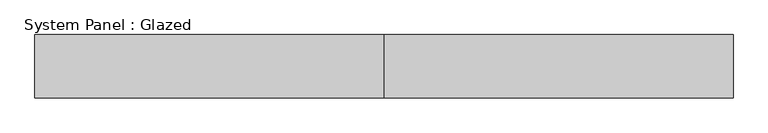
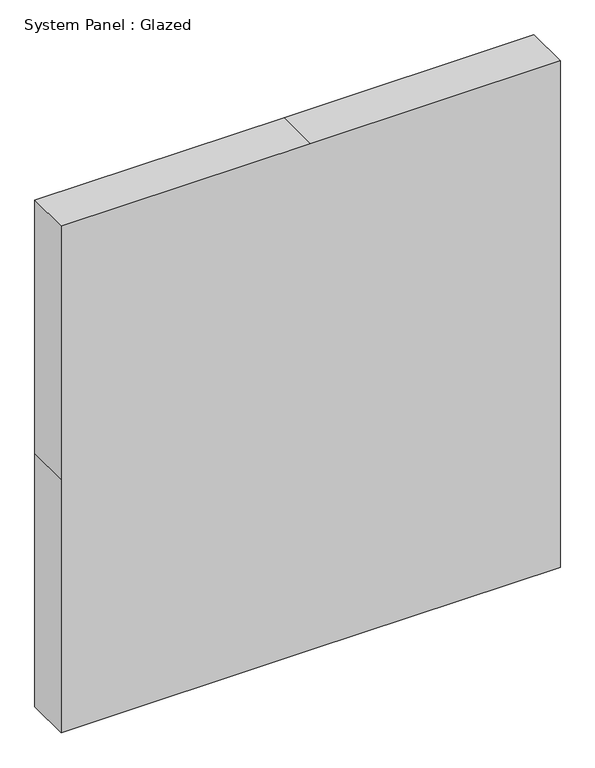
"""IFC4 building model written with IfcOpenShell, lengths in millimetres: plate geometry, System Panel : Glazed."""

from ifc_helpers import new_model, si_unit, frame, origin, place, context, project, spatial, polyline, outline, extrude, source, transform, mapped, element, save


def system_panel_glazed_093d51b4(model_context):
    return source(origin(), model_context, "Body", "SweptSolid", [
        extrude(outline(polyline([(0.0, -550.0), (0.0, 0.0), (0.0, 550.0), (590.0, 550.0), (1180.0, 550.0), (1180.0, 0.0), (1180.0, -550.0), (590.0, -550.0), (0.0, -550.0)])), frame((0.0, 50.0, 0.0), z_axis=(0.0, 1.0, 0.0), x_axis=(0.0, 0.0, 1.0)), (0.0, 0.0, 1.0), 100.0),
    ])


if __name__ == "__main__":
    model = new_model("IFC4")
    model_context = context("Model", 3, world=origin())
    ifc_project = project(units=[si_unit("LENGTHUNIT", "METRE", prefix="MILLI")], contexts=[model_context])
    site = spatial("IfcSite", under=ifc_project)
    building = spatial("IfcBuilding", under=site)
    placement = place(None, origin())
    system_panel_glazed_shape = system_panel_glazed_093d51b4(model_context)
    element("IfcPlate", 1, ObjectType="System Panel : Glazed", at=placement, inside=building, context=model_context, shape_type="MappedRepresentation", body=[
        mapped(system_panel_glazed_shape, transform((0.0, 0.0, 0.0), x_axis=(1.0, 0.0, 0.0), y_axis=(0.0, 1.0, 0.0), z_axis=(0.0, 0.0, 1.0))),
    ])
    save(model, "model.ifc")
